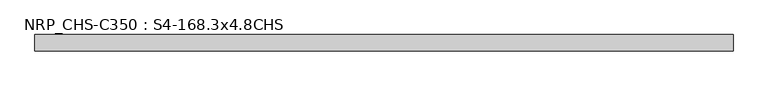
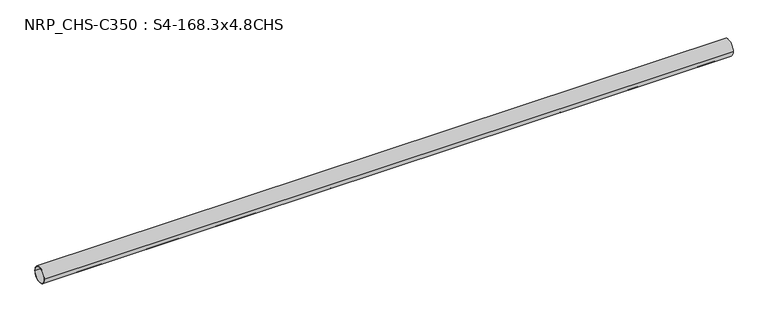
"""IFC4 building model written with IfcOpenShell, lengths in millimetres: beam geometry, NRP_CHS-C350 : S4-168.3x4.8CHS."""

from ifc_helpers import new_model, si_unit, point, frame, origin, origin_2d, place, context, project, spatial, circle_curve, trimmed, segment, composite_curve, outline, extrude, source, transform, mapped, element, save


def nrp_chs_c350_s4_168_3x4_8chs_bb2c8b08(model_context):
    return source(origin(), model_context, "Body", "SweptSolid", [
        extrude(outline(composite_curve([segment(trimmed(circle_curve(origin_2d(), 84.15), [point((84.15, 0.0))], [point((-84.15, 0.0))], False, "CARTESIAN"), True, "CONTINUOUS"), segment(trimmed(circle_curve(origin_2d(), 84.15), [point((-84.15, 0.0))], [point((84.15, 0.0))], False, "CARTESIAN"), True, "CONTINUOUS")], self_intersect=False), holes=[composite_curve([segment(trimmed(circle_curve(origin_2d(), 79.35), [point((-79.35, 0.0))], [point((79.35, 0.0))], True, "CARTESIAN"), True, "CONTINUOUS"), segment(trimmed(circle_curve(origin_2d(), 79.35), [point((79.35, 0.0))], [point((-79.35, 0.0))], True, "CARTESIAN"), True, "CONTINUOUS")], self_intersect=False)]), frame((-3575.05, 0.0, 0.0), z_axis=(1.0, 0.0, 0.0), x_axis=(0.0, 1.0, 0.0)), (0.0, 0.0, 1.0), 7179.1),
    ])


if __name__ == "__main__":
    model = new_model("IFC4")
    model_context = context("Model", 3, world=origin())
    ifc_project = project(units=[si_unit("LENGTHUNIT", "METRE", prefix="MILLI")], contexts=[model_context])
    site = spatial("IfcSite", under=ifc_project)
    building = spatial("IfcBuilding", under=site)
    placement = place(None, origin())
    nrp_chs_c350_s4_168_3x4_8chs_shape = nrp_chs_c350_s4_168_3x4_8chs_bb2c8b08(model_context)
    element("IfcBeam", 1, ObjectType="NRP_CHS-C350 : S4-168.3x4.8CHS", at=placement, inside=building, context=model_context, shape_type="MappedRepresentation", body=[
        mapped(nrp_chs_c350_s4_168_3x4_8chs_shape, transform((0.0, 0.0, 0.0), x_axis=(1.0, 0.0, 0.0), y_axis=(0.0, 1.0, 0.0), z_axis=(0.0, 0.0, 1.0))),
    ])
    save(model, "model.ifc")
